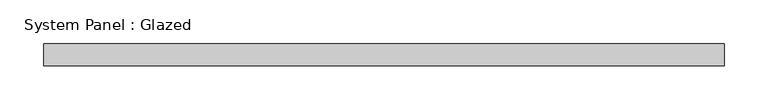
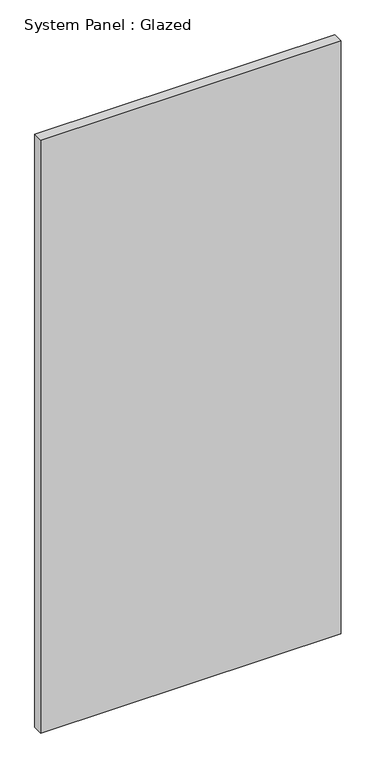
"""IFC4 building model written with IfcOpenShell, lengths in millimetres: plate geometry, System Panel : Glazed."""

from ifc_helpers import new_model, si_unit, origin, origin_with_axes, place, context, project, spatial, polyline, outline, extrude, source, transform, mapped, element, save


def system_panel_glazed_80340468(model_context):
    return source(origin(), model_context, "Body", "SweptSolid", [
        extrude(outline(polyline([(389.6684567, -12.7), (-389.6684567, -12.7), (-389.6684567, 12.7), (389.6684567, 12.7), (389.6684567, -12.7)])), origin_with_axes(), (0.0, 0.0, 1.0), 1625.6),
    ])


if __name__ == "__main__":
    model = new_model("IFC4")
    model_context = context("Model", 3, world=origin())
    ifc_project = project(units=[si_unit("LENGTHUNIT", "METRE", prefix="MILLI")], contexts=[model_context])
    site = spatial("IfcSite", under=ifc_project)
    building = spatial("IfcBuilding", under=site)
    placement = place(None, origin())
    system_panel_glazed_shape = system_panel_glazed_80340468(model_context)
    element("IfcPlate", 1, ObjectType="System Panel : Glazed", at=placement, inside=building, context=model_context, shape_type="MappedRepresentation", body=[
        mapped(system_panel_glazed_shape, transform((0.0, 0.0, 0.0), x_axis=(1.0, 0.0, 0.0), y_axis=(0.0, 1.0, 0.0), z_axis=(0.0, 0.0, 1.0))),
    ])
    save(model, "model.ifc")
